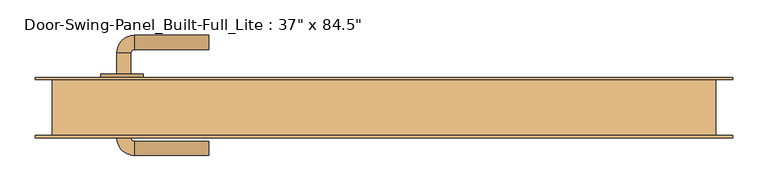
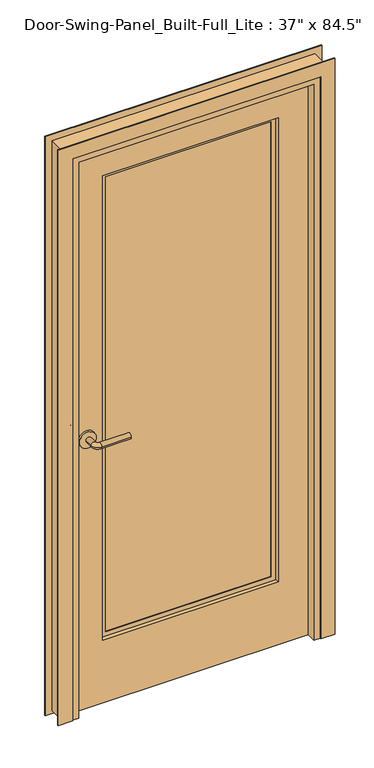
"""IFC4 building model written with IfcOpenShell, lengths in millimetres: door geometry."""

from ifc_helpers import new_model, si_unit, point, frame, frame_2d, origin, place, context, project, spatial, polyline, circle_curve, ellipse_curve, trimmed, segment, composite_curve, outline, extrude, faceted_brep, source, transform, mapped, element, save
from ifc_brep_helpers import plane_surface, cylinder_surface, revolved_surface, advanced_brep


def door_bae3c750(model_context):
    return source(origin(), model_context, "Body", "SolidModel", [
        advanced_brep(
        [(-378.3, -6.4125, 1016.0), (-358.3, -6.4125, 1016.0), (-358.3, -36.4125, 1016.0), (-378.3, -36.4125, 1016.0), (-353.3, -41.4125, 1016.0), (-353.3, -61.4125, 1016.0), (-248.3, -61.4125, 1016.0), (-248.3, -41.4125, 1016.0)],
        [
            (0, 1, circle_curve(frame((-368.3, -6.4125, 1016.0), z_axis=(0.0, 1.0, 0.0), x_axis=(1.0, 0.0, 0.0)), 10.0)),
            (1, 0, circle_curve(frame((-368.3, -6.4125, 1016.0), z_axis=(0.0, 1.0, 0.0), x_axis=(1.0, 0.0, 0.0)), 10.0)),
            (1, 2),
            (2, 3, circle_curve(frame((-368.3, -36.4125, 1016.0), z_axis=(0.0, 1.0, 0.0), x_axis=(1.0, 0.0, 0.0)), 10.0)),
            (3, 0),
            (3, 2, circle_curve(frame((-368.3, -36.4125, 1016.0), z_axis=(0.0, 1.0, 0.0), x_axis=(1.0, 0.0, 0.0)), 10.0)),
            (4, 5, circle_curve(frame((-353.3, -51.4125, 1016.0), z_axis=(-1.0, 0.0, 0.0), x_axis=(0.0, 1.0, 0.0)), 10.0)),
            (5, 3, circle_curve(frame((-353.3, -36.4125, 1016.0), z_axis=(0.0, 0.0, -1.0), x_axis=(-1.0, 0.0, 0.0)), 25.0)),
            (2, 4, circle_curve(frame((-353.3, -36.4125, 1016.0), z_axis=(0.0, 0.0, 1.0), x_axis=(-1.0, 0.0, 0.0)), 5.0)),
            (5, 4, circle_curve(frame((-353.3, -51.4125, 1016.0), z_axis=(-1.0, 0.0, 0.0), x_axis=(0.0, 1.0, 0.0)), 10.0)),
            (6, 7, circle_curve(frame((-248.3, -51.4125, 1016.0), z_axis=(1.0, 0.0, 0.0), x_axis=(0.0, 1.0, 0.0)), 10.0)),
            (7, 6, circle_curve(frame((-248.3, -51.4125, 1016.0), z_axis=(1.0, 0.0, 0.0), x_axis=(0.0, 1.0, 0.0)), 10.0)),
            (4, 7),
            (6, 5),
        ],
        [
            plane_surface(frame((-368.3, -6.4125, 1016.0), z_axis=(0.0, 1.0, 0.0), x_axis=(0.0, 0.0, 1.0))),
            cylinder_surface(frame((-368.3, -6.4125, 1016.0), z_axis=(0.0, 1.0, 0.0), x_axis=(1.0, 0.0, 0.0)), 10.0),
            revolved_surface(trimmed(ellipse_curve(frame((-368.3, -36.4125, 1016.0), z_axis=(0.0, -1.0, 0.0), x_axis=(1.0, 0.0, 0.0)), 10.0, 10.0), [point((-378.3, -36.4125, 1016.0))], [point((-358.3, -36.4125, 1016.0))], True, "CARTESIAN"), (-353.3, -36.4125, 1016.0), (0.0, 0.0, -1.0)),
            revolved_surface(trimmed(ellipse_curve(frame((-368.3, -36.4125, 1016.0), z_axis=(0.0, -1.0, 0.0), x_axis=(1.0, 0.0, 0.0)), 10.0, 10.0), [point((-358.3, -36.4125, 1016.0))], [point((-378.3, -36.4125, 1016.0))], True, "CARTESIAN"), (-353.3, -36.4125, 1016.0), (0.0, 0.0, -1.0)),
            plane_surface(frame((-248.3, -51.4125, 1016.0), z_axis=(1.0, 0.0, 0.0), x_axis=(0.0, 0.0, 1.0))),
            cylinder_surface(frame((-353.3, -51.4125, 1016.0), z_axis=(-1.0, 0.0, 0.0), x_axis=(0.0, 1.0, 0.0)), 10.0),
        ],
        [
            (0, [[1, 2]]),
            (1, [[3, 4, 5, -2]]),
            (1, [[-5, 6, -3, -1]]),
            (2, [[7, 8, -4, 9]]),
            (3, [[10, -9, -6, -8]]),
            (4, [[11, 12]]),
            (5, [[13, -11, 14, -7]]),
            (5, [[-14, -12, -13, -10]]),
        ],
    ),
        extrude(outline(composite_curve([segment(trimmed(circle_curve(frame_2d((1016.0, -370.8)), 30.0), [point((1016.0, -400.8))], [point((1016.0, -340.8))], False, "CARTESIAN"), True, "CONTINUOUS"), segment(trimmed(circle_curve(frame_2d((1016.0, -370.8)), 30.0), [point((1016.0, -340.8))], [point((1016.0, -400.8))], False, "CARTESIAN"), True, "CONTINUOUS")], self_intersect=False)), frame((0.0, -6.4125, 0.0), z_axis=(0.0, 1.0, 0.0), x_axis=(0.0, 0.0, 1.0)), (0.0, 0.0, 1.0), 8.0),
        advanced_brep(
        [(-378.3, 54.0375, 1016.0), (-358.3, 54.0375, 1016.0), (-378.3, 84.0375, 1016.0), (-358.3, 84.0375, 1016.0), (-353.3, 89.0375, 1016.0), (-353.3, 109.0375, 1016.0), (-248.3, 109.0375, 1016.0), (-248.3, 89.0375, 1016.0)],
        [
            (0, 1, circle_curve(frame((-368.3, 54.0375, 1016.0), z_axis=(0.0, -1.0, 0.0), x_axis=(1.0, 0.0, 0.0)), 10.0)),
            (1, 0, circle_curve(frame((-368.3, 54.0375, 1016.0), z_axis=(0.0, -1.0, 0.0), x_axis=(1.0, 0.0, 0.0)), 10.0)),
            (0, 2),
            (2, 3, circle_curve(frame((-368.3, 84.0375, 1016.0), z_axis=(0.0, -1.0, 0.0), x_axis=(1.0, 0.0, 0.0)), 10.0)),
            (3, 1),
            (3, 2, circle_curve(frame((-368.3, 84.0375, 1016.0), z_axis=(0.0, -1.0, 0.0), x_axis=(1.0, 0.0, 0.0)), 10.0)),
            (4, 3, circle_curve(frame((-353.3, 84.0375, 1016.0), z_axis=(0.0, 0.0, 1.0), x_axis=(-1.0, 0.0, 0.0)), 5.0)),
            (2, 5, circle_curve(frame((-353.3, 84.0375, 1016.0), z_axis=(0.0, 0.0, -1.0), x_axis=(-1.0, 0.0, 0.0)), 25.0)),
            (5, 4, circle_curve(frame((-353.3, 99.0375, 1016.0), z_axis=(-1.0, 0.0, 0.0), x_axis=(0.0, -1.0, 0.0)), 10.0)),
            (4, 5, circle_curve(frame((-353.3, 99.0375, 1016.0), z_axis=(-1.0, 0.0, 0.0), x_axis=(0.0, -1.0, 0.0)), 10.0)),
            (6, 7, circle_curve(frame((-248.3, 99.0375, 1016.0), z_axis=(1.0, 0.0, 0.0), x_axis=(0.0, -1.0, 0.0)), 10.0)),
            (7, 6, circle_curve(frame((-248.3, 99.0375, 1016.0), z_axis=(1.0, 0.0, 0.0), x_axis=(0.0, -1.0, 0.0)), 10.0)),
            (5, 6),
            (7, 4),
        ],
        [
            plane_surface(frame((-368.3, 54.0375, 1016.0), z_axis=(0.0, -1.0, 0.0), x_axis=(0.0, 0.0, 1.0))),
            cylinder_surface(frame((-368.3, 54.0375, 1016.0), z_axis=(0.0, -1.0, 0.0), x_axis=(1.0, 0.0, 0.0)), 10.0),
            revolved_surface(trimmed(ellipse_curve(frame((-368.3, 84.0375, 1016.0), z_axis=(0.0, -1.0, 0.0), x_axis=(1.0, 0.0, 0.0)), 10.0, 10.0), [point((-378.3, 84.0375, 1016.0))], [point((-358.3, 84.0375, 1016.0))], True, "CARTESIAN"), (-353.3, 84.0375, 1016.0), (0.0, 0.0, -1.0)),
            revolved_surface(trimmed(ellipse_curve(frame((-368.3, 84.0375, 1016.0), z_axis=(0.0, -1.0, 0.0), x_axis=(1.0, 0.0, 0.0)), 10.0, 10.0), [point((-358.3, 84.0375, 1016.0))], [point((-378.3, 84.0375, 1016.0))], True, "CARTESIAN"), (-353.3, 84.0375, 1016.0), (0.0, 0.0, -1.0)),
            plane_surface(frame((-248.3, 99.0375, 1016.0), z_axis=(1.0, 0.0, 0.0), x_axis=(0.0, 0.0, 1.0))),
            cylinder_surface(frame((-353.3, 99.0375, 1016.0), z_axis=(-1.0, 0.0, 0.0), x_axis=(0.0, -1.0, 0.0)), 10.0),
        ],
        [
            (0, [[1, 2]]),
            (1, [[-1, 3, 4, 5]]),
            (1, [[-2, -5, 6, -3]]),
            (2, [[7, -4, 8, 9]]),
            (3, [[-8, -6, -7, 10]]),
            (4, [[11, 12]]),
            (5, [[-9, 13, -12, 14]]),
            (5, [[-10, -14, -11, -13]]),
        ],
    ),
        extrude(outline(composite_curve([segment(trimmed(circle_curve(frame_2d((1016.0, -370.8)), 30.0), [point((1016.0, -400.8))], [point((1016.0, -340.8))], False, "CARTESIAN"), True, "CONTINUOUS"), segment(trimmed(circle_curve(frame_2d((1016.0, -370.8)), 30.0), [point((1016.0, -340.8))], [point((1016.0, -400.8))], False, "CARTESIAN"), True, "CONTINUOUS")], self_intersect=False)), frame((0.0, 46.0375, 0.0), z_axis=(0.0, 1.0, 0.0), x_axis=(0.0, 0.0, 1.0)), (0.0, 0.0, 1.0), 8.0),
        extrude(outline(polyline([(-306.1009064, 27.9875799), (306.1009064, 27.9875799), (306.1009064, 17.7005799), (-306.1009064, 17.7005799), (-306.1009064, 27.9875799)])), frame((0.0, 0.0, 243.4336), z_axis=(0.0, 0.0, 1.0), x_axis=(1.0, 0.0, 0.0)), (0.0, 0.0, 1.0), 1735.6328),
        faceted_brep([(442.9128941, 49.2128264, -12.7), (493.7128941, 49.2128264, -12.7), (493.7128941, 46.0375, -12.7), (442.9128941, 46.0375, -12.7), (442.9128941, 49.2128264, 2119.3128941), (-442.9128941, 49.2128264, 2119.3128941), (-442.9128941, 49.2128264, -12.7), (-493.7128941, 49.2128264, -12.7), (-493.7128941, 49.2128264, 2170.1128941), (493.7128941, 49.2128264, 2170.1128941), (493.7128941, 46.0375, 2170.1128941), (-493.7128941, 46.0375, 2170.1128941), (-493.7128941, 46.0375, -12.7), (-442.9128941, 46.0375, -12.7), (-442.9128941, 46.0375, 0.0), (-469.9, 46.0375, 0.0), (-469.9, 46.0375, 2146.3), (469.9, 46.0375, 2146.3), (469.9, 46.0375, 0.0), (442.9128941, 46.0375, 0.0), (469.9, -33.3375, 2146.3), (469.9, -33.3375, 0.0), (-469.9, -33.3375, 2146.3), (-469.9, -33.3375, 0.0), (-493.7128941, -33.3375, 0.0), (-493.7128941, -33.3375, 2170.1128941), (493.7128941, -33.3375, 2170.1128941), (493.7128941, -33.3375, 0.0), (493.7128941, -36.5118471, 2170.1128941), (493.7128941, -36.5118471, 0.0), (-493.7128941, -36.5118471, 2170.1128941), (-493.7128941, -36.5118471, 0.0), (-442.9128941, -36.5118471, 0.0), (-442.9128941, -36.5118471, 2119.3128941), (442.9128941, -36.5118471, 2119.3128941), (442.9128941, -36.5118471, 0.0), (442.9128941, -33.3375, 2119.3128941), (442.9128941, -33.3375, 0.0), (-442.9128941, -33.3375, 2119.3128941), (-442.9128941, -33.3375, 0.0), (-419.6083941, -33.3375, 0.0), (-419.6083941, -33.3375, 2096.0083941), (419.6083941, -33.3375, 2096.0083941), (419.6083941, -33.3375, 0.0), (419.6083941, 46.0375, 2096.0083941), (419.6083941, 46.0375, 0.0), (-419.6083941, 46.0375, 2096.0083941), (-419.6083941, 46.0375, 0.0), (-442.9128941, 46.0375, 2119.3128941), (442.9128941, 46.0375, 2119.3128941)], [[[0, 1, 2, 3]], [[1, 0, 4, 5, 6, 7, 8, 9]], [[10, 2, 1, 9]], [[10, 11, 12, 13, 14, 15, 16, 17, 18, 19, 3, 2]], [[17, 20, 21, 18]], [[20, 22, 23, 24, 25, 26, 27, 21]], [[26, 28, 29, 27]], [[28, 30, 31, 32, 33, 34, 35, 29]], [[34, 36, 37, 35]], [[36, 38, 39, 40, 41, 42, 43, 37]], [[42, 44, 45, 43]], [[44, 46, 47, 14, 48, 49, 19, 45]], [[0, 3, 19, 49, 4]], [[6, 5, 48, 14, 13]], [[7, 6, 13, 12]], [[8, 7, 12, 11]], [[22, 16, 15, 23]], [[30, 25, 24, 31]], [[38, 33, 32, 39]], [[46, 41, 40, 47]], [[9, 8, 11, 10]], [[17, 16, 22, 20]], [[26, 25, 30, 28]], [[34, 33, 38, 36]], [[42, 41, 46, 44]], [[5, 4, 49, 48]], [[15, 14, 47, 40, 39, 32, 31, 24, 23]], [[19, 18, 21, 27, 29, 35, 37, 43, 45]]]),
        faceted_brep([(-419.6083941, 1.5875, 0.0), (-419.6083941, 46.0375, 0.0), (419.6083941, 46.0375, 0.0), (419.6083941, 1.5875, 0.0), (-419.6083941, 1.5875, 2096.0083941), (-419.6083941, 46.0375, 2096.0083941), (419.6083941, 46.0375, 2096.0083941), (-295.5345064, 46.0375, 254.0), (295.5345064, 46.0375, 254.0), (295.5345064, 46.0375, 1968.5), (-295.5345064, 46.0375, 1968.5), (419.6083941, 1.5875, 2096.0083941), (-313.0483921, 1.5875, 1986.0138857), (313.0483921, 1.5875, 1986.0138857), (313.0483921, 1.5875, 236.4861143), (-313.0483921, 1.5875, 236.4861143), (-295.5345064, 27.9875799, 1968.5), (-295.5345064, 27.9875799, 254.0), (-306.1009064, 27.9875799, 243.4336), (306.1009064, 27.9875799, 243.4336), (306.1009064, 27.9875799, 1979.0664), (-306.1009064, 27.9875799, 1979.0664), (295.5345064, 27.9875799, 1968.5), (295.5345064, 27.9875799, 254.0), (313.0483921, 15.8872986, 1986.0138857), (313.0483921, 15.8872986, 236.4861143), (-313.0483921, 15.8872986, 236.4861143), (-313.0483921, 15.8872986, 1986.0138857), (-295.5345064, 15.8872986, 1968.5), (295.5345064, 15.8872986, 1968.5), (295.5345064, 15.8872986, 254.0), (-295.5345064, 15.8872986, 254.0), (295.5345064, 17.7005799, 1968.5), (295.5345064, 17.7005799, 254.0), (-295.5345064, 17.7005799, 254.0), (-295.5345064, 17.7005799, 1968.5), (-306.1009064, 17.7005799, 1979.0664), (306.1009064, 17.7005799, 1979.0664), (306.1009064, 17.7005799, 243.4336), (-306.1009064, 17.7005799, 243.4336)], [[[0, 1, 2, 3]], [[4, 5, 1, 0]], [[2, 1, 5, 6], [7, 8, 9, 10]], [[6, 11, 3, 2]], [[11, 4, 0, 3], [12, 13, 14, 15]], [[16, 17, 7, 10]], [[18, 19, 20, 21], [17, 16, 22, 23]], [[17, 23, 8, 7]], [[23, 22, 9, 8]], [[24, 25, 14, 13]], [[15, 14, 25, 26]], [[12, 15, 26, 27]], [[27, 26, 25, 24], [28, 29, 30, 31]], [[32, 33, 30, 29]], [[33, 34, 31, 30]], [[28, 31, 34, 35]], [[36, 37, 38, 39], [35, 34, 33, 32]], [[20, 19, 38, 37]], [[19, 18, 39, 38]], [[36, 39, 18, 21]], [[5, 4, 11, 6]], [[22, 16, 10, 9]], [[13, 12, 27, 24]], [[35, 32, 29, 28]], [[21, 20, 37, 36]]]),
    ])


if __name__ == "__main__":
    model = new_model("IFC4")
    model_context = context("Model", 3, world=origin())
    ifc_project = project(units=[si_unit("LENGTHUNIT", "METRE", prefix="MILLI")], contexts=[model_context])
    site = spatial("IfcSite", under=ifc_project)
    building = spatial("IfcBuilding", under=site)
    placement = place(None, origin())
    door_shape = door_bae3c750(model_context)
    element("IfcDoor", 1, ObjectType="Door-Swing-Panel_Built-Full_Lite : 37\" x 84.5\"", at=placement, inside=building, context=model_context, shape_type="MappedRepresentation", body=[
        mapped(door_shape, transform((0.0, 0.0, 0.0), x_axis=(1.0, 0.0, 0.0), y_axis=(0.0, 1.0, 0.0), z_axis=(0.0, 0.0, 1.0))),
    ])
    save(model, "model.ifc")
